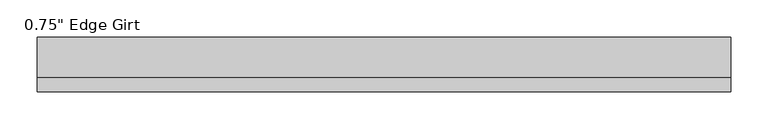
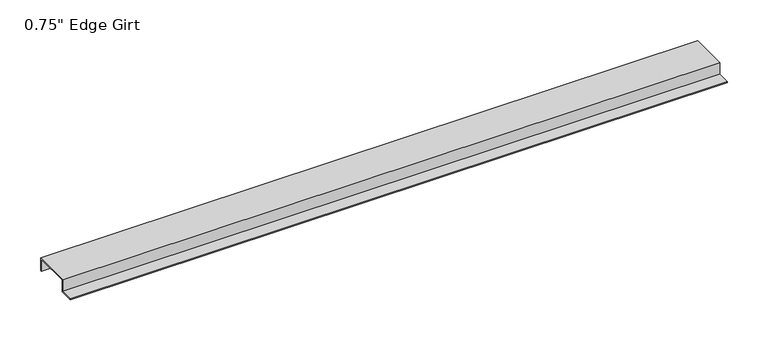
"""IFC4 building model written with IfcOpenShell, lengths in millimetres: proxy geometry."""

import ifcopenshell
import ifcopenshell.guid

model = None  # the IFC model being written
_history = None  # IfcOwnerHistory: only IFC2X3 demands one
_inside = {}  # id of a spatial element -> (the spatial element, [elements in it])
_under = {}  # id of a project, library or spatial element -> (it, [spatial elements below it])
_declared = {}  # id of a project -> (the project, [libraries it declares])
_typed = {}  # id of a type object -> (the type object, [elements of that type])
_made_of = {}  # id of a material, layer set ... -> (it, [elements and type objects made of it])


def new_model(schema):
    """Start an empty IFC model of exactly this schema.

    Asked for "IFC4X3", IfcOpenShell would pick the latest addendum, in which some entities
    have other attributes; the version numbers below select the first issue.
    IFC2X3 requires an IfcOwnerHistory on every rooted entity: one is made here for all.
    """
    global model, _history
    if schema == "IFC4X3":
        model = ifcopenshell.file(schema_version=(4, 3, 0, 0))
    else:
        model = ifcopenshell.file(schema=schema)
    _inside.clear()
    _under.clear()
    _declared.clear()
    _typed.clear()
    _made_of.clear()
    _history = None
    if model.schema == "IFC2X3":
        org = make("IfcOrganization", Name="unknown")
        user = make(
            "IfcPersonAndOrganization",
            ThePerson=make("IfcPerson", FamilyName="unknown"),
            TheOrganization=org,
        )
        app = make(
            "IfcApplication",
            ApplicationDeveloper=org,
            Version="unknown",
            ApplicationFullName="unknown",
            ApplicationIdentifier="unknown",
        )
        _history = make(
            "IfcOwnerHistory",
            OwningUser=user,
            OwningApplication=app,
            ChangeAction="ADDED",
            CreationDate=0,
        )
    return model


def make(cls, **values):
    """One entity of the class cls with the attributes given. An attribute that is None is left unset."""
    return model.create_entity(
        cls, **{name: value for name, value in values.items() if value is not None}
    )


def rooted(cls, **values):
    """An entity with a GlobalId (a new one), such as an element, a storey or a relation."""
    return make(cls, GlobalId=ifcopenshell.guid.new(), OwnerHistory=_history, **values)


def si_unit(unit_type, name, prefix=None):
    """IfcSIUnit, for example si_unit("LENGTHUNIT", "METRE", prefix="MILLI")."""
    return make("IfcSIUnit", UnitType=unit_type, Prefix=prefix, Name=name)


def assignment(units):
    """IfcUnitAssignment: the units of a project."""
    return None if units is None else make("IfcUnitAssignment", Units=units)


def point(xyz):
    """IfcCartesianPoint."""
    return None if xyz is None else make("IfcCartesianPoint", Coordinates=xyz)


def direction(xyz):
    """IfcDirection."""
    return None if xyz is None else make("IfcDirection", DirectionRatios=xyz)


def frame(location, z_axis=None, x_axis=None):
    """IfcAxis2Placement3D, a coordinate frame: its origin and axes. An axis left out is left unset."""
    return make(
        "IfcAxis2Placement3D",
        Location=point(location),
        Axis=direction(z_axis),
        RefDirection=direction(x_axis),
    )


def origin():
    """The frame at (0, 0, 0) with its axes left unset."""
    return frame((0.0, 0.0, 0.0))


def place(relative_to, where):
    """IfcLocalPlacement: puts the frame where relative to a parent placement (None: the world)."""
    return make(
        "IfcLocalPlacement", PlacementRelTo=relative_to, RelativePlacement=where
    )


def context(
    kind, dimensions, precision=None, world=None, true_north=None, identifier=None
):
    """IfcGeometricRepresentationContext, for example the 3D "Model" context."""
    return make(
        "IfcGeometricRepresentationContext",
        ContextIdentifier=identifier,
        ContextType=kind,
        CoordinateSpaceDimension=dimensions,
        Precision=precision,
        WorldCoordinateSystem=world,
        TrueNorth=true_north,
    )


def project(units=None, contexts=None):
    """IfcProject with its units and contexts."""
    return rooted(
        "IfcProject",
        Name="project",
        RepresentationContexts=contexts,
        UnitsInContext=assignment(units),
    )


def spatial(cls, under=None, at=None, **own):
    """A site, building, storey or space (cls), placed at a placement, below another one or the project."""
    s = rooted(cls, ObjectPlacement=at, **own)
    if under is not None:
        _under.setdefault(under.id(), (under, []))[1].append(s)
    return s


def polyline(points):
    """IfcPolyline through the points."""
    return make("IfcPolyline", Points=[point(p) for p in points])


def outline(outer, holes=None, kind="AREA"):
    """IfcArbitraryClosedProfileDef: a profile drawn as a closed curve; with holes, ...WithVoids."""
    if holes is None:
        return make("IfcArbitraryClosedProfileDef", ProfileType=kind, OuterCurve=outer)
    return make(
        "IfcArbitraryProfileDefWithVoids",
        ProfileType=kind,
        OuterCurve=outer,
        InnerCurves=holes,
    )


def extrude(swept, where, along, depth):
    """IfcExtrudedAreaSolid: the profile swept, set in the frame where, extruded along a direction by depth."""
    return make(
        "IfcExtrudedAreaSolid",
        SweptArea=swept,
        Position=where,
        ExtrudedDirection=direction(along),
        Depth=depth,
    )


def shape(context_of_items, identifier, shape_type, items):
    """IfcShapeRepresentation: the items that make up one representation, for example the "Body"."""
    return make(
        "IfcShapeRepresentation",
        ContextOfItems=context_of_items,
        RepresentationIdentifier=identifier,
        RepresentationType=shape_type,
        Items=items,
    )


def source(mapping_origin, context_of_items, identifier, shape_type, items):
    """IfcRepresentationMap: a shape defined once, which mapped items show again and again."""
    return make(
        "IfcRepresentationMap",
        MappingOrigin=mapping_origin,
        MappedRepresentation=shape(context_of_items, identifier, shape_type, items),
    )


def transform(
    local_origin,
    x_axis=None,
    y_axis=None,
    z_axis=None,
    scale=None,
    scale2=None,
    scale3=None,
    uniform=True,
):
    """IfcCartesianTransformationOperator3D, or its non-uniform kind. x_axis, y_axis, z_axis: its Axis1, 2, 3."""
    if uniform:
        return make(
            "IfcCartesianTransformationOperator3D",
            Axis1=direction(x_axis),
            Axis2=direction(y_axis),
            LocalOrigin=point(local_origin),
            Scale=scale,
            Axis3=direction(z_axis),
        )
    return make(
        "IfcCartesianTransformationOperator3DnonUniform",
        Axis1=direction(x_axis),
        Axis2=direction(y_axis),
        LocalOrigin=point(local_origin),
        Scale=scale,
        Axis3=direction(z_axis),
        Scale2=scale2,
        Scale3=scale3,
    )


def mapped(mapping_source, mapping_target):
    """IfcMappedItem: shows the shape of a source again, moved by a transform."""
    return make(
        "IfcMappedItem", MappingSource=mapping_source, MappingTarget=mapping_target
    )


def made_of(thing, what):
    """Note that an element or type object is made of a material, layer set ...; save() writes the relation."""
    if what is not None:
        _made_of.setdefault(what.id(), (what, []))[1].append(thing)
    return thing


def element(
    cls,
    number,
    at=None,
    inside=None,
    cuts=None,
    type_object=None,
    material=None,
    context=None,
    identifier="Body",
    shape_type=None,
    held_by="IfcProductDefinitionShape",
    body=None,
    shapes=None,
    **own,
):
    """One element of the class cls, such as IfcWall. Its Tag is "e" and its number.

    at: its placement. inside: the storey or other place that contains it. cuts: it is an
    opening in that element (IfcRelVoidsElement). A single representation is given by context,
    identifier, shape_type and body (its items); several are given by shapes. held_by: the class
    of the entity that holds the representations. save() writes the other relations.
    """
    e = rooted(cls, Tag="e%d" % number, ObjectPlacement=at, **own)
    if body is not None:
        shapes = [shape(context, identifier, shape_type, body)]
    if shapes is not None:
        e.Representation = make(held_by, Representations=shapes)
    if inside is not None:
        _inside.setdefault(inside.id(), (inside, []))[1].append(e)
    if cuts is not None:
        rooted(
            "IfcRelVoidsElement", RelatingBuildingElement=cuts, RelatedOpeningElement=e
        )
    if type_object is not None:
        _typed.setdefault(type_object.id(), (type_object, []))[1].append(e)
    return made_of(e, material)


def aggregate(whole, parts):
    """IfcRelAggregates: a whole, such as a stair, and the parts it consists of."""
    return rooted("IfcRelAggregates", RelatingObject=whole, RelatedObjects=parts)


def save(model, path):
    """Write the relations noted so far, then the file.

    IfcRelAggregates (storeys below a building ...), IfcRelContainedInSpatialStructure (elements
    in a storey), IfcRelDefinesByType, IfcRelAssociatesMaterial and IfcRelDeclares: one each for
    every whole, place, type object, material and project.
    """
    for whole, parts in _under.values():
        aggregate(whole, parts)
    for where, things in _inside.values():
        rooted(
            "IfcRelContainedInSpatialStructure",
            RelatedElements=things,
            RelatingStructure=where,
        )
    for kind, things in _typed.values():
        rooted("IfcRelDefinesByType", RelatedObjects=things, RelatingType=kind)
    for what, things in _made_of.values():
        rooted("IfcRelAssociatesMaterial", RelatedObjects=things, RelatingMaterial=what)
    for by, libraries in _declared.values():
        rooted("IfcRelDeclares", RelatingContext=by, RelatedDefinitions=libraries)
    model.write(path)


def proxy_807fc4b0(model_context):
    return source(origin(), model_context, "Body", "SweptSolid", [
        extrude(outline(polyline([(-46.0559645, -17.4375), (-46.0559645, -15.8242), (-27.0129, -15.8242), (-27.0129, 1.6129), (27.0129, 1.6129), (27.0129, -17.4375), (25.4, -17.4375), (25.4, 0.0), (-25.4, 0.0), (-25.4, -17.4375), (-46.0559645, -17.4375)])), frame((0.0, 0.0, 0.0), z_axis=(1.0, 0.0, 0.0), x_axis=(0.0, 1.0, 0.0)), (0.0, 0.0, 1.0), 931.6185365),
    ])


if __name__ == "__main__":
    model = new_model("IFC4")
    model_context = context("Model", 3, world=origin())
    ifc_project = project(units=[si_unit("LENGTHUNIT", "METRE", prefix="MILLI")], contexts=[model_context])
    site = spatial("IfcSite", under=ifc_project)
    building = spatial("IfcBuilding", under=site)
    placement = place(None, origin())
    proxy_shape = proxy_807fc4b0(model_context)
    element("IfcBuildingElementProxy", 1, Name="0.75\" Edge Girt", ObjectType="0.75\" Edge Girt", at=placement, inside=building, context=model_context, shape_type="MappedRepresentation", body=[
        mapped(proxy_shape, transform((0.0, 0.0, 0.0), x_axis=(1.0, 0.0, 0.0), y_axis=(0.0, 1.0, 0.0), z_axis=(0.0, 0.0, 1.0))),
    ])
    save(model, "model.ifc")
